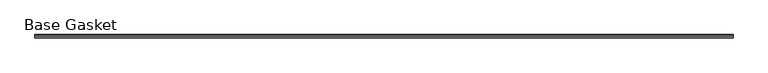
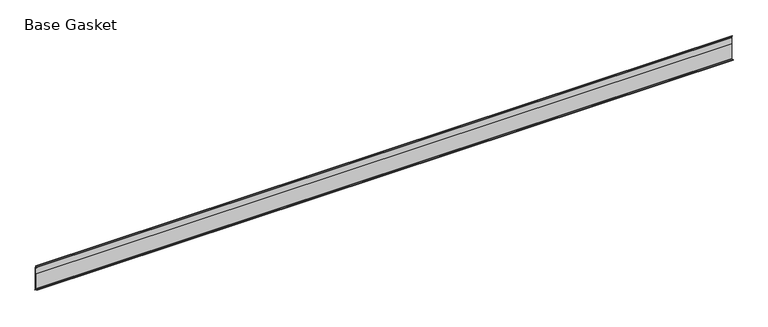
"""IFC4 building model written with IfcOpenShell, lengths in millimetres: furniture geometry, Base Gasket."""

from ifc_helpers import new_model, si_unit, frame, origin, place, context, project, spatial, polyline, outline, extrude, source, transform, mapped, element, save


def base_gasket_65f8eacb(model_context):
    return source(origin(), model_context, "Body", "SweptSolid", [
        extrude(outline(polyline([(3.7283812, 98.4568417), (3.7283812, 4.3498477), (7.4222115, 0.6560174), (7.8482342, 0.0), (6.8281054, 0.3520979), (2.2043812, 4.3498477), (2.1334222, 6.3818476), (-6.2405171, 6.3818476), (-6.2405171, 7.9398773), (2.2043812, 7.9398773), (2.2043812, 71.4693447), (1.4106313, 71.4693447), (1.4106313, 96.8693477), (2.2043812, 96.8693477), (2.2043812, 98.4568417), (0.6755308, 104.4162708), (0.6755308, 105.2002997), (1.1891543, 104.587663), (3.7283812, 98.4568417)])), frame((-1527.8982117, 0.0, 0.0), z_axis=(1.0, 0.0, 0.0), x_axis=(0.0, 1.0, 0.0)), (0.0, 0.0, 1.0), 2804.0635591),
    ])


if __name__ == "__main__":
    model = new_model("IFC4")
    model_context = context("Model", 3, world=origin())
    ifc_project = project(units=[si_unit("LENGTHUNIT", "METRE", prefix="MILLI")], contexts=[model_context])
    site = spatial("IfcSite", under=ifc_project)
    building = spatial("IfcBuilding", under=site)
    placement = place(None, origin())
    base_gasket_shape = base_gasket_65f8eacb(model_context)
    element("IfcFurniture", 1, ObjectType="Base Gasket", at=placement, inside=building, context=model_context, shape_type="MappedRepresentation", body=[
        mapped(base_gasket_shape, transform((0.0, 0.0, 0.0), x_axis=(1.0, 0.0, 0.0), y_axis=(0.0, 1.0, 0.0), z_axis=(0.0, 0.0, 1.0))),
    ])
    save(model, "model.ifc")
